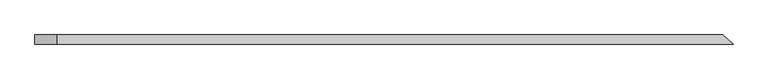
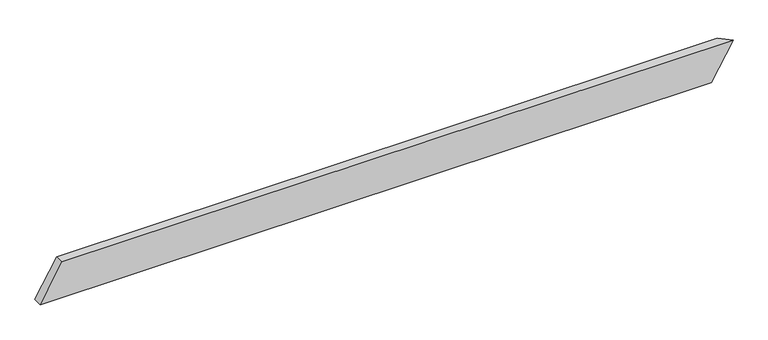
"""IFC4 building model written with IfcOpenShell, lengths in millimetres: beam geometry."""

from ifc_helpers import new_model, si_unit, origin, place, context, project, spatial, faceted_brep, source, transform, mapped, element, save


def beam_3ff57d37(model_context):
    return source(origin(), model_context, "Body", "Brep", [
        faceted_brep([(1855.6377564, -24.0, 100.0), (-1712.4548896, -24.0, 100.0), (-1827.9249435, -24.0, -100.0), (1740.1677025, -24.0, -100.0), (1800.2121305, 24.0, 100.0), (1684.7420767, 24.0, -100.0), (-1827.9249435, 24.0, -100.0), (-1712.4548896, 24.0, 100.0)], [[[0, 1, 2, 3]], [[4, 5, 6, 7]], [[5, 4, 0, 3]], [[6, 5, 3, 2]], [[7, 6, 2, 1]], [[4, 7, 1, 0]]]),
    ])


if __name__ == "__main__":
    model = new_model("IFC4")
    model_context = context("Model", 3, world=origin())
    ifc_project = project(units=[si_unit("LENGTHUNIT", "METRE", prefix="MILLI")], contexts=[model_context])
    site = spatial("IfcSite", under=ifc_project)
    building = spatial("IfcBuilding", under=site)
    placement = place(None, origin())
    beam_shape = beam_3ff57d37(model_context)
    element("IfcBeam", 1, at=placement, inside=building, context=model_context, shape_type="MappedRepresentation", body=[
        mapped(beam_shape, transform((0.0, 0.0, 0.0), x_axis=(1.0, 0.0, 0.0), y_axis=(0.0, 1.0, 0.0), z_axis=(0.0, 0.0, 1.0))),
    ])
    save(model, "model.ifc")
